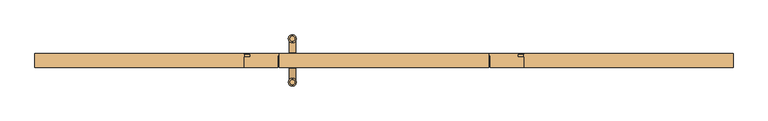
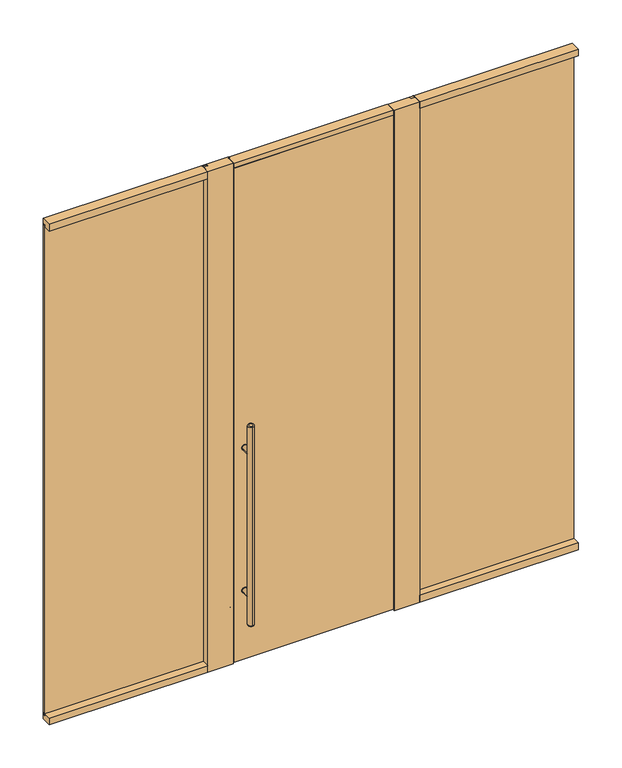
"""IFC4 building model written with IfcOpenShell, lengths in millimetres: door geometry."""

from ifc_helpers import new_model, si_unit, point, frame, frame_2d, origin, origin_with_axes, place, context, project, spatial, polyline, circle_curve, ellipse_curve, trimmed, segment, composite_curve, outline, extrude, faceted_brep, source, transform, mapped, element, save
from ifc_brep_helpers import plane_surface, cylinder_surface, revolved_surface, advanced_brep


def door_0cc62d23(model_context):
    return source(origin(), model_context, "Body", "SolidModel", [
        extrude(outline(composite_curve([segment(trimmed(circle_curve(frame_2d((428.625, -400.05)), 15.875), [point((428.625, -415.925))], [point((428.625, -384.175))], False, "CARTESIAN"), True, "CONTINUOUS"), segment(trimmed(circle_curve(frame_2d((428.625, -400.05)), 15.875), [point((428.625, -384.175))], [point((428.625, -415.925))], False, "CARTESIAN"), True, "CONTINUOUS")], self_intersect=False)), frame((0.0, 30.1625, 0.0), z_axis=(0.0, 1.0, 0.0), x_axis=(0.0, 0.0, 1.0)), (0.0, 0.0, 1.0), 3.175),
        extrude(outline(composite_curve([segment(trimmed(circle_curve(frame_2d((1298.575, -400.05)), 15.875), [point((1298.575, -384.175))], [point((1298.575, -415.925))], False, "CARTESIAN"), True, "CONTINUOUS"), segment(trimmed(circle_curve(frame_2d((1298.575, -400.05)), 15.875), [point((1298.575, -415.925))], [point((1298.575, -384.175))], False, "CARTESIAN"), True, "CONTINUOUS")], self_intersect=False)), frame((0.0, 30.1625, 0.0), z_axis=(0.0, 1.0, 0.0), x_axis=(0.0, 0.0, 1.0)), (0.0, 0.0, 1.0), 3.175),
        extrude(outline(composite_curve([segment(trimmed(circle_curve(frame_2d((428.625, -400.05)), 15.875), [point((428.625, -415.925))], [point((428.625, -384.175))], False, "CARTESIAN"), True, "CONTINUOUS"), segment(trimmed(circle_curve(frame_2d((428.625, -400.05)), 15.875), [point((428.625, -384.175))], [point((428.625, -415.925))], False, "CARTESIAN"), True, "CONTINUOUS")], self_intersect=False)), frame((0.0, -33.3375, 0.0), z_axis=(0.0, 1.0, 0.0), x_axis=(0.0, 0.0, 1.0)), (0.0, 0.0, 1.0), 3.175),
        extrude(outline(composite_curve([segment(trimmed(circle_curve(frame_2d((1298.575, -400.05)), 15.875), [point((1298.575, -415.925))], [point((1298.575, -384.175))], False, "CARTESIAN"), True, "CONTINUOUS"), segment(trimmed(circle_curve(frame_2d((1298.575, -400.05)), 15.875), [point((1298.575, -384.175))], [point((1298.575, -415.925))], False, "CARTESIAN"), True, "CONTINUOUS")], self_intersect=False)), frame((0.0, -33.3375, 0.0), z_axis=(0.0, 1.0, 0.0), x_axis=(0.0, 0.0, 1.0)), (0.0, 0.0, 1.0), 3.175),
        extrude(outline(composite_curve([segment(trimmed(circle_curve(frame_2d((428.625, -400.05)), 14.2875), [point((428.625, -385.7625))], [point((428.625, -414.3375))], False, "CARTESIAN"), True, "CONTINUOUS"), segment(trimmed(circle_curve(frame_2d((428.625, -400.05)), 14.2875), [point((428.625, -414.3375))], [point((428.625, -385.7625))], False, "CARTESIAN"), True, "CONTINUOUS")], self_intersect=False)), frame((0.0, -95.25, 0.0), z_axis=(0.0, 1.0, 0.0), x_axis=(0.0, 0.0, 1.0)), (0.0, 0.0, 1.0), 65.0875),
        extrude(outline(composite_curve([segment(trimmed(circle_curve(frame_2d((1298.575, -400.05)), 14.2875), [point((1298.575, -385.7625))], [point((1298.575, -414.3375))], False, "CARTESIAN"), True, "CONTINUOUS"), segment(trimmed(circle_curve(frame_2d((1298.575, -400.05)), 14.2875), [point((1298.575, -414.3375))], [point((1298.575, -385.7625))], False, "CARTESIAN"), True, "CONTINUOUS")], self_intersect=False)), frame((0.0, -95.25, 0.0), z_axis=(0.0, 1.0, 0.0), x_axis=(0.0, 0.0, 1.0)), (0.0, 0.0, 1.0), 65.0875),
        advanced_brep(
        [(-400.05, 84.455, 1473.2), (-400.05, 106.045, 1473.2), (-400.05, 106.045, 254.0), (-400.05, 84.455, 254.0), (-400.05, 112.395, 260.35), (-400.05, 112.395, 1466.85), (-400.05, 78.105, 1466.85), (-400.05, 78.105, 260.35)],
        [
            (0, 1, circle_curve(frame((-400.05, 95.25, 1473.2), z_axis=(0.0, 0.0, 1.0), x_axis=(0.0, -1.0, 0.0)), 10.795)),
            (1, 0, circle_curve(frame((-400.05, 95.25, 1473.2), z_axis=(0.0, 0.0, 1.0), x_axis=(0.0, -1.0, 0.0)), 10.795)),
            (2, 3, circle_curve(frame((-400.05, 95.25, 254.0), z_axis=(0.0, 0.0, -1.0), x_axis=(0.0, -1.0, 0.0)), 10.795)),
            (3, 2, circle_curve(frame((-400.05, 95.25, 254.0), z_axis=(0.0, 0.0, -1.0), x_axis=(0.0, -1.0, 0.0)), 10.795)),
            (4, 5),
            (5, 6, circle_curve(frame((-400.05, 95.25, 1466.85), z_axis=(0.0, 0.0, -1.0), x_axis=(0.0, -1.0, 0.0)), 17.145)),
            (6, 7),
            (7, 4, circle_curve(frame((-400.05, 95.25, 260.35), z_axis=(0.0, 0.0, 1.0), x_axis=(0.0, -1.0, 0.0)), 17.145)),
            (6, 5, circle_curve(frame((-400.05, 95.25, 1466.85), z_axis=(0.0, 0.0, -1.0), x_axis=(0.0, -1.0, 0.0)), 17.145)),
            (4, 7, circle_curve(frame((-400.05, 95.25, 260.35), z_axis=(0.0, 0.0, 1.0), x_axis=(0.0, -1.0, 0.0)), 17.145)),
            (3, 7, circle_curve(frame((-400.05, 84.455, 260.35), z_axis=(-1.0, 0.0, 0.0), x_axis=(0.0, -1.0, 0.0)), 6.35)),
            (4, 2, circle_curve(frame((-400.05, 106.045, 260.35), z_axis=(-1.0, 0.0, 0.0), x_axis=(0.0, 1.0, 0.0)), 6.35)),
            (6, 0, circle_curve(frame((-400.05, 84.455, 1466.85), z_axis=(-1.0, 0.0, 0.0), x_axis=(0.0, -1.0, 0.0)), 6.35)),
            (1, 5, circle_curve(frame((-400.05, 106.045, 1466.85), z_axis=(-1.0, 0.0, 0.0), x_axis=(0.0, 1.0, 0.0)), 6.35)),
        ],
        [
            plane_surface(frame((-400.05, -112.395, 1473.2), z_axis=(0.0, 0.0, 1.0), x_axis=(-1.0, 0.0, 0.0))),
            plane_surface(frame((-400.05, -112.395, 254.0), z_axis=(0.0, 0.0, -1.0), x_axis=(1.0, 0.0, 0.0))),
            cylinder_surface(frame((-400.05, 95.25, 254.0), z_axis=(0.0, 0.0, 1.0), x_axis=(0.0, -1.0, 0.0)), 17.145),
            revolved_surface(trimmed(ellipse_curve(frame((-400.05, 84.455, 260.35), z_axis=(-1.0, 0.0, 0.0), x_axis=(0.0, -1.0, 0.0)), 6.35, 6.35), [point((-400.05, 84.455, 254.0))], [point((-400.05, 78.105, 260.35))], True, "CARTESIAN"), (-400.05, 95.25, 2082.8), (0.0, 0.0, 1.0)),
            revolved_surface(trimmed(ellipse_curve(frame((-400.05, 84.455, 1466.85), z_axis=(-1.0, 0.0, 0.0), x_axis=(0.0, -1.0, 0.0)), 6.35, 6.35), [point((-400.05, 78.105, 1466.85))], [point((-400.05, 84.455, 1473.2))], True, "CARTESIAN"), (-400.05, 95.25, -355.6), (0.0, 0.0, 1.0)),
        ],
        [
            (0, [[1, 2]]),
            (1, [[3, 4]]),
            (2, [[5, 6, 7, 8]]),
            (2, [[-7, 9, -5, 10]]),
            (3, [[-4, 11, -10, 12]]),
            (3, [[-8, -11, -3, -12]]),
            (4, [[-9, 13, -2, 14]]),
            (4, [[-1, -13, -6, -14]]),
        ],
    ),
        advanced_brep(
        [(-400.05, -106.045, 1473.2), (-400.05, -84.455, 1473.2), (-400.05, -84.455, 254.0), (-400.05, -106.045, 254.0), (-400.05, -78.105, 260.35), (-400.05, -78.105, 1466.85), (-400.05, -112.395, 1466.85), (-400.05, -112.395, 260.35)],
        [
            (0, 1, circle_curve(frame((-400.05, -95.25, 1473.2), z_axis=(0.0, 0.0, 1.0), x_axis=(0.0, 1.0, 0.0)), 10.795)),
            (1, 0, circle_curve(frame((-400.05, -95.25, 1473.2), z_axis=(0.0, 0.0, 1.0), x_axis=(0.0, 1.0, 0.0)), 10.795)),
            (2, 3, circle_curve(frame((-400.05, -95.25, 254.0), z_axis=(0.0, 0.0, -1.0), x_axis=(0.0, 1.0, 0.0)), 10.795)),
            (3, 2, circle_curve(frame((-400.05, -95.25, 254.0), z_axis=(0.0, 0.0, -1.0), x_axis=(0.0, 1.0, 0.0)), 10.795)),
            (4, 5),
            (5, 6, circle_curve(frame((-400.05, -95.25, 1466.85), z_axis=(0.0, 0.0, -1.0), x_axis=(0.0, -1.0, 0.0)), 17.145)),
            (6, 7),
            (7, 4, circle_curve(frame((-400.05, -95.25, 260.35), z_axis=(0.0, 0.0, 1.0), x_axis=(0.0, -1.0, 0.0)), 17.145)),
            (6, 5, circle_curve(frame((-400.05, -95.25, 1466.85), z_axis=(0.0, 0.0, -1.0), x_axis=(0.0, -1.0, 0.0)), 17.145)),
            (4, 7, circle_curve(frame((-400.05, -95.25, 260.35), z_axis=(0.0, 0.0, 1.0), x_axis=(0.0, -1.0, 0.0)), 17.145)),
            (4, 2, circle_curve(frame((-400.05, -84.455, 260.35), z_axis=(-1.0, 0.0, 0.0), x_axis=(0.0, 1.0, 0.0)), 6.35)),
            (3, 7, circle_curve(frame((-400.05, -106.045, 260.35), z_axis=(-1.0, 0.0, 0.0), x_axis=(0.0, -1.0, 0.0)), 6.35)),
            (1, 5, circle_curve(frame((-400.05, -84.455, 1466.85), z_axis=(-1.0, 0.0, 0.0), x_axis=(0.0, 1.0, 0.0)), 6.35)),
            (6, 0, circle_curve(frame((-400.05, -106.045, 1466.85), z_axis=(-1.0, 0.0, 0.0), x_axis=(0.0, -1.0, 0.0)), 6.35)),
        ],
        [
            plane_surface(frame((-400.05, -112.395, 1473.2), z_axis=(0.0, 0.0, 1.0), x_axis=(-1.0, 0.0, 0.0))),
            plane_surface(frame((-400.05, -112.395, 254.0), z_axis=(0.0, 0.0, -1.0), x_axis=(1.0, 0.0, 0.0))),
            cylinder_surface(frame((-400.05, -95.25, 254.0), z_axis=(0.0, 0.0, 1.0), x_axis=(0.0, -1.0, 0.0)), 17.145),
            revolved_surface(trimmed(ellipse_curve(frame((-400.05, -84.455, 260.35), z_axis=(-1.0, 0.0, 0.0), x_axis=(0.0, 1.0, 0.0)), 6.35, 6.35), [point((-400.05, -78.105, 260.35))], [point((-400.05, -84.455, 254.0))], True, "CARTESIAN"), (-400.05, -95.25, 2082.8), (0.0, 0.0, -1.0)),
            revolved_surface(trimmed(ellipse_curve(frame((-400.05, -84.455, 1466.85), z_axis=(-1.0, 0.0, 0.0), x_axis=(0.0, 1.0, 0.0)), 6.35, 6.35), [point((-400.05, -84.455, 1473.2))], [point((-400.05, -78.105, 1466.85))], True, "CARTESIAN"), (-400.05, -95.25, -355.6), (0.0, 0.0, -1.0)),
        ],
        [
            (0, [[1, 2]]),
            (1, [[3, 4]]),
            (2, [[5, 6, 7, 8]]),
            (2, [[-7, 9, -5, 10]]),
            (3, [[-10, 11, -4, 12]]),
            (3, [[-3, -11, -8, -12]]),
            (4, [[-2, 13, -9, 14]]),
            (4, [[-6, -13, -1, -14]]),
        ],
    ),
        extrude(outline(composite_curve([segment(trimmed(circle_curve(frame_2d((428.625, -400.05)), 14.2875), [point((428.625, -385.7625))], [point((428.625, -414.3375))], False, "CARTESIAN"), True, "CONTINUOUS"), segment(trimmed(circle_curve(frame_2d((428.625, -400.05)), 14.2875), [point((428.625, -414.3375))], [point((428.625, -385.7625))], False, "CARTESIAN"), True, "CONTINUOUS")], self_intersect=False)), frame((0.0, 30.1625, 0.0), z_axis=(0.0, 1.0, 0.0), x_axis=(0.0, 0.0, 1.0)), (0.0, 0.0, 1.0), 65.0875),
        extrude(outline(composite_curve([segment(trimmed(circle_curve(frame_2d((1298.575, -400.05)), 14.2875), [point((1298.575, -385.7625))], [point((1298.575, -414.3375))], False, "CARTESIAN"), True, "CONTINUOUS"), segment(trimmed(circle_curve(frame_2d((1298.575, -400.05)), 14.2875), [point((1298.575, -414.3375))], [point((1298.575, -385.7625))], False, "CARTESIAN"), True, "CONTINUOUS")], self_intersect=False)), frame((0.0, 30.1625, 0.0), z_axis=(0.0, 1.0, 0.0), x_axis=(0.0, 0.0, 1.0)), (0.0, 0.0, 1.0), 65.0875),
        faceted_brep([(447.675, 30.1625, 9.525), (447.675, 17.4625, 9.525), (457.2, 17.4625, 9.525), (457.2, -30.1625, 9.525), (-457.2, -30.1625, 9.525), (-457.2, 17.4625, 9.525), (-447.675, 17.4625, 9.525), (-447.675, 30.1625, 9.525), (457.2, 17.4625, 3006.725), (457.2, 14.2875, 3006.725), (457.2, 14.2875, 3017.3452951), (457.2, -30.1625, 3017.3452951), (-457.2, -30.1625, 3017.3452951), (447.675, 17.4625, 3006.725), (-457.2, 14.2875, 3017.3452951), (-457.2, 14.2875, 3006.725), (-457.2, 17.4625, 3006.725), (-447.675, 17.4625, 3006.725), (-447.675, 30.1625, 3006.725), (447.675, 30.1625, 3006.725)], [[[0, 1, 2, 3, 4, 5, 6, 7]], [[2, 8, 9, 10, 11, 3]], [[12, 4, 3, 11]], [[1, 13, 8, 2]], [[4, 12, 14, 15, 16, 5]], [[5, 16, 17, 6]], [[7, 18, 19, 0]], [[0, 19, 13, 1]], [[6, 17, 18, 7]], [[11, 10, 14, 12]], [[15, 14, 10, 9]], [[9, 8, 13, 19, 18, 17, 16, 15]]]),
        faceted_brep([(457.2, -30.1625, 3048.0), (457.2, -30.1625, 3019.425), (457.2, 14.2875, 3019.425), (457.2, 17.4625, 3019.425), (457.2, 17.4625, 3009.9), (457.2, 30.1625, 3009.9), (457.2, 30.1625, 3048.0), (-457.2, -30.1625, 3048.0), (-457.2, 30.1625, 3048.0), (-457.2, 30.1625, 3009.9), (-457.2, 17.4625, 3009.9), (-457.2, 17.4625, 3019.425), (-457.2, 14.2875, 3019.425), (-457.2, -30.1625, 3019.425)], [[[0, 1, 2, 3, 4, 5, 6]], [[7, 8, 9, 10, 11, 12, 13]], [[9, 8, 6, 5]], [[6, 8, 7, 0]], [[4, 10, 9, 5]], [[11, 10, 4, 3]], [[3, 2, 1, 13, 12, 11]], [[0, 7, 13, 1]]]),
        extrude(outline(polyline([(-1524.0, 14.2875), (-1524.0, 26.9875), (-584.2, 26.9875), (-584.2, 14.2875), (-1524.0, 14.2875)])), frame((0.0, 0.0, 28.575), z_axis=(0.0, 0.0, 1.0), x_axis=(1.0, 0.0, 0.0)), (0.0, 0.0, 1.0), 2988.7702951),
        extrude(outline(polyline([(1524.0, 14.2875), (584.2, 14.2875), (584.2, 26.9875), (1524.0, 26.9875), (1524.0, 14.2875)])), origin_with_axes(), (0.0, 0.0, 1.0), 3017.3452951),
        extrude(outline(polyline([(609.6, 14.2875), (609.6, -30.1625), (463.55, -30.1625), (463.55, 20.6375), (454.025, 20.6375), (454.025, 30.1625), (609.6, 30.1625), (609.6, 26.9875), (584.2, 26.9875), (584.2, 14.2875), (609.6, 14.2875)])), origin_with_axes(), (0.0, 0.0, 1.0), 3048.0),
        extrude(outline(polyline([(-609.6, 14.2875), (-584.2, 14.2875), (-584.2, 26.9875), (-609.6, 26.9875), (-609.6, 30.1625), (-454.025, 30.1625), (-454.025, 20.6375), (-463.55, 20.6375), (-463.55, -30.1625), (-609.6, -30.1625), (-609.6, 14.2875)])), origin_with_axes(), (0.0, 0.0, 1.0), 3048.0),
        extrude(outline(polyline([(-30.1625, 3048.0), (30.1625, 3048.0), (30.1625, 3006.725), (26.9875, 3006.725), (26.9875, 3019.425), (14.2875, 3019.425), (14.2875, 3006.725), (-30.1625, 3006.725), (-30.1625, 3048.0)])), frame((-1524.0, 0.0, 0.0), z_axis=(1.0, 0.0, 0.0), x_axis=(0.0, 1.0, 0.0)), (0.0, 0.0, 1.0), 914.4),
        extrude(outline(polyline([(-30.1625, 3048.0), (30.1625, 3048.0), (30.1625, 3006.725), (26.9875, 3006.725), (26.9875, 3019.425), (14.2875, 3019.425), (14.2875, 3006.725), (-30.1625, 3006.725), (-30.1625, 3048.0)])), frame((609.6, 0.0, 0.0), z_axis=(1.0, 0.0, 0.0), x_axis=(0.0, 1.0, 0.0)), (0.0, 0.0, 1.0), 914.4),
        extrude(outline(polyline([(-30.1625, 0.0), (-30.1625, 41.275), (14.2875, 41.275), (14.2875, 28.575), (26.9875, 28.575), (26.9875, 41.275), (30.1625, 41.275), (30.1625, 0.0), (-30.1625, 0.0)])), frame((-1524.0, 0.0, 0.0), z_axis=(1.0, 0.0, 0.0), x_axis=(0.0, 1.0, 0.0)), (0.0, 0.0, 1.0), 914.4),
        extrude(outline(polyline([(-30.1625, 0.0), (-30.1625, 41.275), (14.2875, 41.275), (14.2875, 28.575), (26.9875, 28.575), (26.9875, 41.275), (30.1625, 41.275), (30.1625, 0.0), (-30.1625, 0.0)])), frame((609.6, 0.0, 0.0), z_axis=(1.0, 0.0, 0.0), x_axis=(0.0, 1.0, 0.0)), (0.0, 0.0, 1.0), 914.4),
    ])


if __name__ == "__main__":
    model = new_model("IFC4")
    model_context = context("Model", 3, world=origin())
    ifc_project = project(units=[si_unit("LENGTHUNIT", "METRE", prefix="MILLI")], contexts=[model_context])
    site = spatial("IfcSite", under=ifc_project)
    building = spatial("IfcBuilding", under=site)
    placement = place(None, origin())
    door_shape = door_0cc62d23(model_context)
    element("IfcDoor", 1, at=placement, inside=building, context=model_context, shape_type="MappedRepresentation", body=[
        mapped(door_shape, transform((0.0, 0.0, 0.0), x_axis=(1.0, 0.0, 0.0), y_axis=(0.0, 1.0, 0.0), z_axis=(0.0, 0.0, 1.0))),
    ])
    save(model, "model.ifc")
